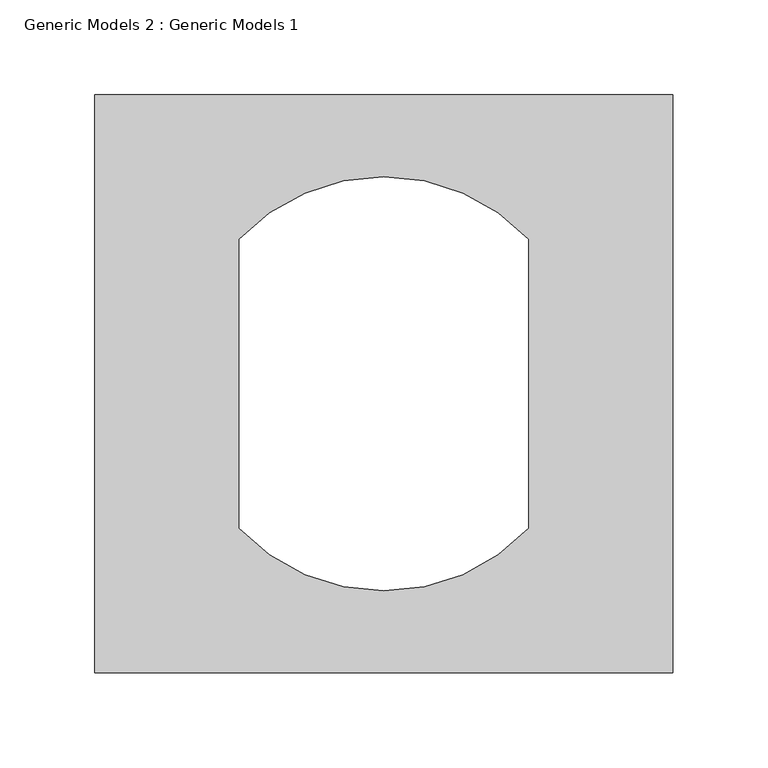
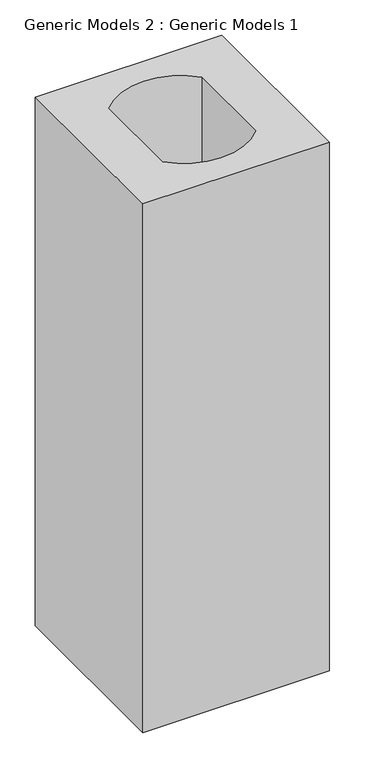
"""IFC4 building model written with IfcOpenShell, lengths in millimetres: proxy geometry, Generic Models 2 : Generic Models 1."""

from ifc_helpers import new_model, si_unit, point, frame_2d, origin, origin_with_axes, place, context, project, spatial, polyline, circle_curve, trimmed, segment, composite_curve, outline, extrude, source, transform, mapped, element, save


def generic_models_2_generic_models_1_9e5905e6(model_context):
    return source(origin(), model_context, "Body", "SweptSolid", [
        extrude(outline(polyline([(914.4, 0.0), (609.6, 0.0), (609.6, 304.8), (914.4, 304.8), (914.4, 0.0)]), holes=[composite_curve([segment(polyline([(685.8, 228.6), (685.8, 76.2)]), True, "CONTINUOUS"), segment(trimmed(circle_curve(frame_2d((762.0, 147.6277488)), 104.4431104), [point((685.8, 76.2))], [point((838.2, 76.2))], True, "CARTESIAN"), True, "CONTINUOUS"), segment(polyline([(838.2, 76.2), (838.2, 228.6)]), True, "CONTINUOUS"), segment(trimmed(circle_curve(frame_2d((762.0, 157.1722512)), 104.4431104), [point((838.2, 228.6))], [point((685.8, 228.6))], True, "CARTESIAN"), True, "CONTINUOUS")], self_intersect=False)]), origin_with_axes(), (0.0, 0.0, 1.0), 914.4),
    ])


if __name__ == "__main__":
    model = new_model("IFC4")
    model_context = context("Model", 3, world=origin())
    ifc_project = project(units=[si_unit("LENGTHUNIT", "METRE", prefix="MILLI")], contexts=[model_context])
    site = spatial("IfcSite", under=ifc_project)
    building = spatial("IfcBuilding", under=site)
    placement = place(None, origin())
    generic_models_2_generic_models_1_shape = generic_models_2_generic_models_1_9e5905e6(model_context)
    element("IfcBuildingElementProxy", 1, Name="Generic Models 2 : Generic Models 1", ObjectType="Generic Models 2 : Generic Models 1", at=placement, inside=building, context=model_context, shape_type="MappedRepresentation", body=[
        mapped(generic_models_2_generic_models_1_shape, transform((0.0, 0.0, 0.0), x_axis=(1.0, 0.0, 0.0), y_axis=(0.0, 1.0, 0.0), z_axis=(0.0, 0.0, 1.0))),
    ])
    save(model, "model.ifc")
